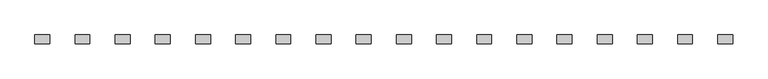
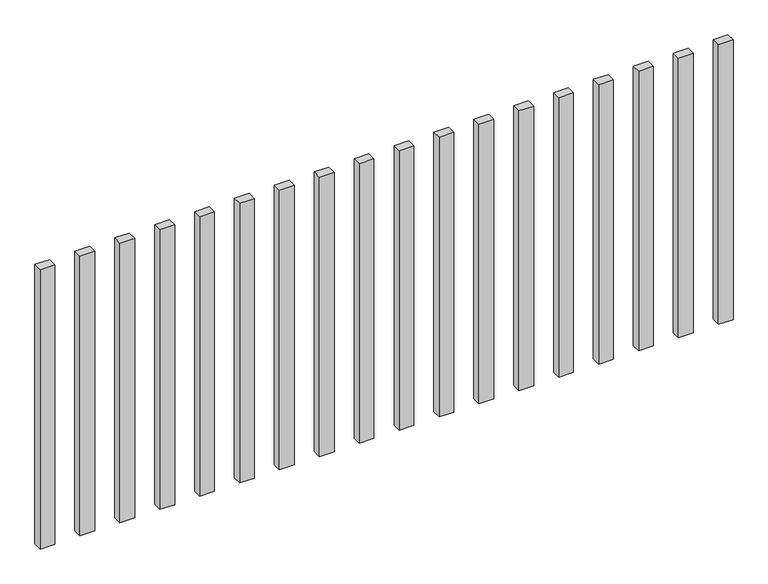
"""IFC4 building model written with IfcOpenShell, lengths in millimetres: railing geometry."""

from ifc_helpers import new_model, si_unit, origin, origin_with_axes, place, context, project, spatial, polyline, outline, extrude, source, transform, mapped, element, save


def railing_4241edac(model_context):
    return source(origin(), model_context, "Body", "SweptSolid", [
        extrude(outline(polyline([(-5907.5700772, -92444.0267127), (-5907.5700772, -92414.0267127), (-5857.5700772, -92414.0267127), (-5857.5700772, -92444.0267127), (-5907.5700772, -92444.0267127)])), origin_with_axes(), (0.0, 0.0, 1.0), 1000.0),
        extrude(outline(polyline([(-6042.5700772, -92444.0267127), (-6042.5700772, -92414.0267127), (-5992.5700772, -92414.0267127), (-5992.5700772, -92444.0267127), (-6042.5700772, -92444.0267127)])), origin_with_axes(), (0.0, 0.0, 1.0), 1000.0),
        extrude(outline(polyline([(-6177.5700772, -92444.0267127), (-6177.5700772, -92414.0267127), (-6127.5700772, -92414.0267127), (-6127.5700772, -92444.0267127), (-6177.5700772, -92444.0267127)])), origin_with_axes(), (0.0, 0.0, 1.0), 1000.0),
        extrude(outline(polyline([(-6312.5700772, -92444.0267127), (-6312.5700772, -92414.0267127), (-6262.5700772, -92414.0267127), (-6262.5700772, -92444.0267127), (-6312.5700772, -92444.0267127)])), origin_with_axes(), (0.0, 0.0, 1.0), 1000.0),
        extrude(outline(polyline([(-6447.5700772, -92444.0267127), (-6447.5700772, -92414.0267127), (-6397.5700772, -92414.0267127), (-6397.5700772, -92444.0267127), (-6447.5700772, -92444.0267127)])), origin_with_axes(), (0.0, 0.0, 1.0), 1000.0),
        extrude(outline(polyline([(-6582.5700772, -92444.0267127), (-6582.5700772, -92414.0267127), (-6532.5700772, -92414.0267127), (-6532.5700772, -92444.0267127), (-6582.5700772, -92444.0267127)])), origin_with_axes(), (0.0, 0.0, 1.0), 1000.0),
        extrude(outline(polyline([(-6717.5700772, -92444.0267127), (-6717.5700772, -92414.0267127), (-6667.5700772, -92414.0267127), (-6667.5700772, -92444.0267127), (-6717.5700772, -92444.0267127)])), origin_with_axes(), (0.0, 0.0, 1.0), 1000.0),
        extrude(outline(polyline([(-6852.5700772, -92444.0267127), (-6852.5700772, -92414.0267127), (-6802.5700772, -92414.0267127), (-6802.5700772, -92444.0267127), (-6852.5700772, -92444.0267127)])), origin_with_axes(), (0.0, 0.0, 1.0), 1000.0),
        extrude(outline(polyline([(-6987.5700772, -92444.0267127), (-6987.5700772, -92414.0267127), (-6937.5700772, -92414.0267127), (-6937.5700772, -92444.0267127), (-6987.5700772, -92444.0267127)])), origin_with_axes(), (0.0, 0.0, 1.0), 1000.0),
        extrude(outline(polyline([(-7122.5700772, -92444.0267127), (-7122.5700772, -92414.0267127), (-7072.5700772, -92414.0267127), (-7072.5700772, -92444.0267127), (-7122.5700772, -92444.0267127)])), origin_with_axes(), (0.0, 0.0, 1.0), 1000.0),
        extrude(outline(polyline([(-7257.5700772, -92444.0267127), (-7257.5700772, -92414.0267127), (-7207.5700772, -92414.0267127), (-7207.5700772, -92444.0267127), (-7257.5700772, -92444.0267127)])), origin_with_axes(), (0.0, 0.0, 1.0), 1000.0),
        extrude(outline(polyline([(-7392.5700772, -92444.0267127), (-7392.5700772, -92414.0267127), (-7342.5700772, -92414.0267127), (-7342.5700772, -92444.0267127), (-7392.5700772, -92444.0267127)])), origin_with_axes(), (0.0, 0.0, 1.0), 1000.0),
        extrude(outline(polyline([(-7527.5700772, -92444.0267127), (-7527.5700772, -92414.0267127), (-7477.5700772, -92414.0267127), (-7477.5700772, -92444.0267127), (-7527.5700772, -92444.0267127)])), origin_with_axes(), (0.0, 0.0, 1.0), 1000.0),
        extrude(outline(polyline([(-7662.5700772, -92444.0267127), (-7662.5700772, -92414.0267127), (-7612.5700772, -92414.0267127), (-7612.5700772, -92444.0267127), (-7662.5700772, -92444.0267127)])), origin_with_axes(), (0.0, 0.0, 1.0), 1000.0),
        extrude(outline(polyline([(-7797.5700772, -92444.0267127), (-7797.5700772, -92414.0267127), (-7747.5700772, -92414.0267127), (-7747.5700772, -92444.0267127), (-7797.5700772, -92444.0267127)])), origin_with_axes(), (0.0, 0.0, 1.0), 1000.0),
        extrude(outline(polyline([(-7932.5700772, -92444.0267127), (-7932.5700772, -92414.0267127), (-7882.5700772, -92414.0267127), (-7882.5700772, -92444.0267127), (-7932.5700772, -92444.0267127)])), origin_with_axes(), (0.0, 0.0, 1.0), 1000.0),
        extrude(outline(polyline([(-8067.5700772, -92444.0267127), (-8067.5700772, -92414.0267127), (-8017.5700772, -92414.0267127), (-8017.5700772, -92444.0267127), (-8067.5700772, -92444.0267127)])), origin_with_axes(), (0.0, 0.0, 1.0), 1000.0),
        extrude(outline(polyline([(-8202.5700772, -92444.0267127), (-8202.5700772, -92414.0267127), (-8152.5700772, -92414.0267127), (-8152.5700772, -92444.0267127), (-8202.5700772, -92444.0267127)])), origin_with_axes(), (0.0, 0.0, 1.0), 1000.0),
    ])


if __name__ == "__main__":
    model = new_model("IFC4")
    model_context = context("Model", 3, world=origin())
    ifc_project = project(units=[si_unit("LENGTHUNIT", "METRE", prefix="MILLI")], contexts=[model_context])
    site = spatial("IfcSite", under=ifc_project)
    building = spatial("IfcBuilding", under=site)
    placement = place(None, origin())
    railing_shape = railing_4241edac(model_context)
    element("IfcRailing", 1, at=placement, inside=building, context=model_context, shape_type="MappedRepresentation", body=[
        mapped(railing_shape, transform((0.0, 0.0, 0.0), x_axis=(1.0, 0.0, 0.0), y_axis=(0.0, 1.0, 0.0), z_axis=(0.0, 0.0, 1.0))),
    ])
    save(model, "model.ifc")
